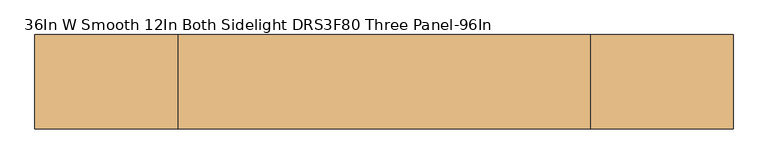
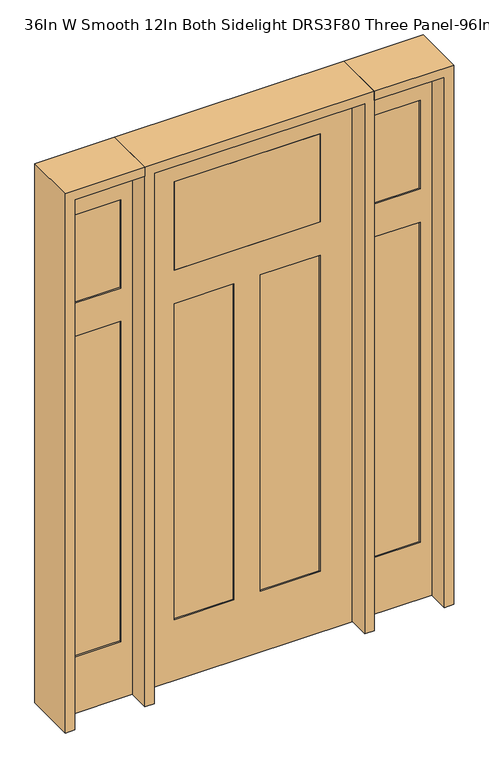
"""IFC4 building model written with IfcOpenShell, lengths in millimetres: door geometry, 36In W Smooth 12In Both Sidelight DRS3F80 Three Panel-96In."""

from ifc_helpers import new_model, si_unit, frame, origin, place, context, project, spatial, polyline, outline, extrude, faceted_brep, source, transform, mapped, element, save


def door_36in_w_smooth_12in_both_sidelight_drs3f80_three_panel_e60aea02(model_context):
    return source(origin(), model_context, "Body", "SolidModel", [
        extrude(outline(polyline([(0.0, 803.275), (2438.4, 803.275), (2438.4, 498.475), (0.0, 498.475), (0.0, 803.275)]), holes=[polyline([(1885.95, 549.275), (2292.35, 549.275), (2292.35, 752.475), (1885.95, 752.475), (1885.95, 549.275)]), polyline([(260.35, 549.275), (1733.55, 549.275), (1733.55, 752.475), (260.35, 752.475), (260.35, 549.275)])]), frame((0.0, -20.6375, 0.0), z_axis=(0.0, 1.0, 0.0), x_axis=(0.0, 0.0, 1.0)), (0.0, 0.0, 1.0), 41.275),
        extrude(outline(polyline([(549.275, -14.2875), (549.275, 14.4145), (752.475, 14.4145), (752.475, -14.2875), (549.275, -14.2875)])), frame((0.0, 0.0, 1885.95), z_axis=(0.0, 0.0, 1.0), x_axis=(1.0, 0.0, 0.0)), (0.0, 0.0, 1.0), 406.4),
        extrude(outline(polyline([(549.275, -14.2875), (549.275, 14.4145), (752.475, 14.4145), (752.475, -14.2875), (549.275, -14.2875)])), frame((0.0, 0.0, 260.35), z_axis=(0.0, 0.0, 1.0), x_axis=(1.0, 0.0, 0.0)), (0.0, 0.0, 1.0), 1473.2),
        extrude(outline(polyline([(0.0, -803.275), (0.0, -498.475), (2438.4, -498.475), (2438.4, -803.275), (0.0, -803.275)]), holes=[polyline([(260.35, -549.275), (260.35, -752.475), (1733.55, -752.475), (1733.55, -549.275), (260.35, -549.275)]), polyline([(1885.95, -549.275), (1885.95, -752.475), (2292.35, -752.475), (2292.35, -549.275), (1885.95, -549.275)])]), frame((0.0, -20.6375, 0.0), z_axis=(0.0, 1.0, 0.0), x_axis=(0.0, 0.0, 1.0)), (0.0, 0.0, 1.0), 41.275),
        extrude(outline(polyline([(-549.275, -14.2875), (-752.475, -14.2875), (-752.475, 14.4145), (-549.275, 14.4145), (-549.275, -14.2875)])), frame((0.0, 0.0, 1885.95), z_axis=(0.0, 0.0, 1.0), x_axis=(1.0, 0.0, 0.0)), (0.0, 0.0, 1.0), 406.4),
        extrude(outline(polyline([(-549.275, -14.2875), (-752.475, -14.2875), (-752.475, 14.4145), (-549.275, 14.4145), (-549.275, -14.2875)])), frame((0.0, 0.0, 260.35), z_axis=(0.0, 0.0, 1.0), x_axis=(1.0, 0.0, 0.0)), (0.0, 0.0, 1.0), 1473.2),
        faceted_brep([(457.2, 20.6375, 0.0), (457.2, -20.6375, 0.0), (-457.2, -20.6375, 0.0), (-457.2, 20.6375, 0.0), (457.2, 20.6375, 2438.4), (457.2, -20.6375, 2438.4), (-457.2, -20.6375, 2438.4), (-317.5, -20.6375, 2292.35), (317.5, -20.6375, 2292.35), (317.5, -20.6375, 1885.95), (-317.5, -20.6375, 1885.95), (-317.5, -20.6375, 1733.55), (-57.15, -20.6375, 1733.55), (-57.15, -20.6375, 279.4), (-317.5, -20.6375, 279.4), (57.15, -20.6375, 1733.55), (317.5, -20.6375, 1733.55), (317.5, -20.6375, 279.4), (57.15, -20.6375, 279.4), (-457.2, 20.6375, 2438.4), (-57.15, 20.6375, 1733.55), (-317.5, 20.6375, 1733.55), (-317.5, 20.6375, 279.4), (-57.15, 20.6375, 279.4), (317.5, 20.6375, 1733.55), (57.15, 20.6375, 1733.55), (57.15, 20.6375, 279.4), (317.5, 20.6375, 279.4), (317.5, 20.6375, 2292.35), (-317.5, 20.6375, 2292.35), (-317.5, 20.6375, 1885.95), (317.5, 20.6375, 1885.95), (-317.5, 14.2875, 1733.55), (-317.5, 14.2875, 279.4), (-57.15, 14.2875, 279.4), (-57.15, 14.2875, 1733.55), (57.15, 14.2875, 1733.55), (57.15, 14.2875, 279.4), (317.5, 14.2875, 279.4), (317.5, 14.2875, 1733.55), (-57.15, -14.2875, 1733.55), (-57.15, -14.2875, 279.4), (-317.5, -14.2875, 279.4), (-317.5, -14.2875, 1733.55), (317.5, -14.2875, 1733.55), (317.5, -14.2875, 279.4), (57.15, -14.2875, 279.4), (57.15, -14.2875, 1733.55)], [[[0, 1, 2, 3]], [[4, 5, 1, 0]], [[5, 6, 2, 1], [7, 8, 9, 10], [11, 12, 13, 14], [15, 16, 17, 18]], [[6, 19, 3, 2]], [[19, 4, 0, 3], [20, 21, 22, 23], [24, 25, 26, 27], [28, 29, 30, 31]], [[4, 19, 6, 5]], [[32, 33, 22, 21]], [[33, 34, 23, 22]], [[34, 35, 20, 23]], [[36, 37, 26, 25]], [[37, 38, 27, 26]], [[38, 39, 24, 27]], [[40, 41, 13, 12]], [[41, 42, 14, 13]], [[42, 43, 11, 14]], [[44, 45, 17, 16]], [[45, 46, 18, 17]], [[46, 47, 15, 18]], [[40, 43, 42, 41]], [[44, 47, 46, 45]], [[35, 34, 33, 32]], [[39, 38, 37, 36]], [[7, 29, 28, 8]], [[29, 7, 10, 30]], [[30, 10, 9, 31]], [[8, 28, 31, 9]], [[43, 40, 12, 11]], [[47, 44, 16, 15]], [[35, 32, 21, 20]], [[39, 36, 25, 24]]]),
        extrude(outline(polyline([(317.5, -20.6375), (-317.5, -20.6375), (-317.5, 20.6375), (317.5, 20.6375), (317.5, -20.6375)])), frame((0.0, 0.0, 1885.95), z_axis=(0.0, 0.0, 1.0), x_axis=(1.0, 0.0, 0.0)), (0.0, 0.0, 1.0), 406.4),
        extrude(outline(polyline([(2438.4, -498.475), (2479.675, -498.475), (2479.675, -844.55), (0.0, -844.55), (0.0, -803.275), (2438.4, -803.275), (2438.4, -498.475)])), frame((0.0, -114.3, 0.0), z_axis=(0.0, 1.0, 0.0), x_axis=(0.0, 0.0, 1.0)), (0.0, 0.0, 1.0), 228.6),
        extrude(outline(polyline([(2479.675, -498.475), (0.0, -498.475), (0.0, -457.2), (2438.4, -457.2), (2438.4, 457.2), (0.0, 457.2), (0.0, 498.475), (2479.675, 498.475), (2479.675, -498.475)])), frame((0.0, -114.3, 0.0), z_axis=(0.0, 1.0, 0.0), x_axis=(0.0, 0.0, 1.0)), (0.0, 0.0, 1.0), 228.6),
        extrude(outline(polyline([(0.0, 803.275), (0.0, 844.55), (2479.675, 844.55), (2479.675, 498.475), (2438.4, 498.475), (2438.4, 803.275), (0.0, 803.275)])), frame((0.0, -114.3, 0.0), z_axis=(0.0, 1.0, 0.0), x_axis=(0.0, 0.0, 1.0)), (0.0, 0.0, 1.0), 228.6),
    ])


if __name__ == "__main__":
    model = new_model("IFC4")
    model_context = context("Model", 3, world=origin())
    ifc_project = project(units=[si_unit("LENGTHUNIT", "METRE", prefix="MILLI")], contexts=[model_context])
    site = spatial("IfcSite", under=ifc_project)
    building = spatial("IfcBuilding", under=site)
    placement = place(None, origin())
    door_36in_w_smooth_12in_both_sidelight_drs3f80_three_panel_shape = door_36in_w_smooth_12in_both_sidelight_drs3f80_three_panel_e60aea02(model_context)
    element("IfcDoor", 1, ObjectType="36In W Smooth 12In Both Sidelight DRS3F80 Three Panel-96In", at=placement, inside=building, context=model_context, shape_type="MappedRepresentation", body=[
        mapped(door_36in_w_smooth_12in_both_sidelight_drs3f80_three_panel_shape, transform((0.0, 0.0, 0.0), x_axis=(1.0, 0.0, 0.0), y_axis=(0.0, 1.0, 0.0), z_axis=(0.0, 0.0, 1.0))),
    ])
    save(model, "model.ifc")
